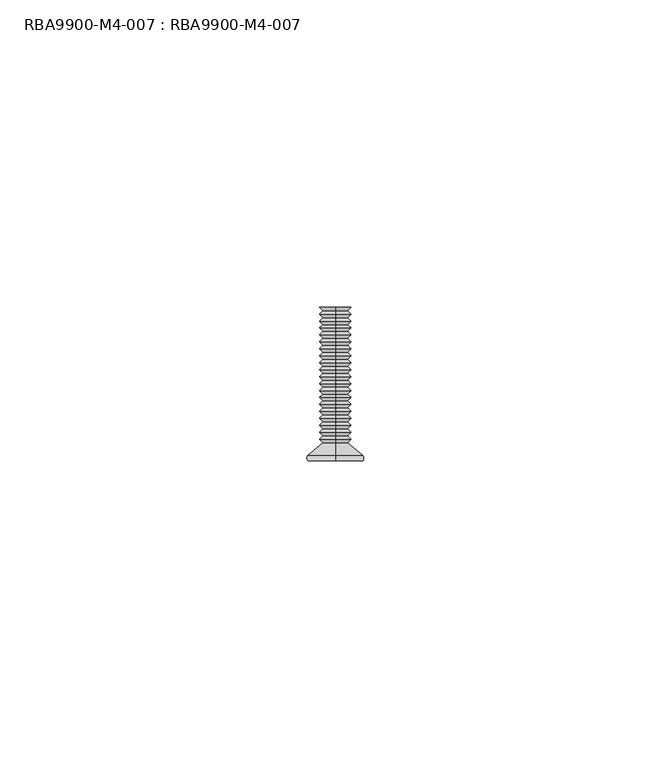
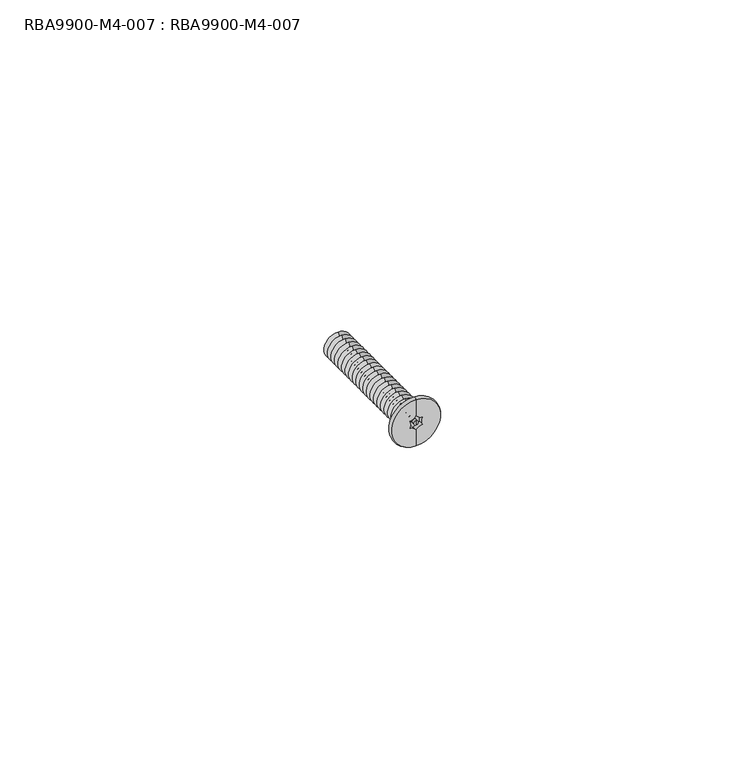
"""IFC4 building model written with IfcOpenShell, lengths in millimetres: proxy geometry, RBA9900-M4-007 : RBA9900-M4-007."""

from ifc_helpers import new_model, si_unit, point, frame, origin, place, context, project, spatial, polyline, circle_curve, ellipse_curve, trimmed, source, transform, mapped, element, save
from ifc_brep_helpers import plane_surface, cylinder_surface, revolved_surface, advanced_brep


def rba9900_m4_007_rba9900_m4_007_bc9887b2(model_context):
    return source(origin(), model_context, "Body", "AdvancedBrep", [
        advanced_brep(
        [(0.0, 0.0, 4.5), (0.0, 0.0, -4.5), (0.0, 0.0, -1.4433757), (-1.25, 0.0, -0.7216878), (-1.25, 0.0, 0.7216878), (0.0, 0.0, 1.4433757), (0.0, 0.0, 0.0), (0.0, 0.0, 0.4), (-0.4, 0.0, 0.0), (0.0, 0.0, -0.4), (0.4, 0.0, 0.0), (1.25, 0.0, 0.7216878), (1.25, 0.0, -0.7216878), (-1.25, 1.0, 0.7216878), (-1.25, 1.0, -0.7216878), (0.0, 1.0, -1.4433757), (1.25, 1.0, -0.7216878), (1.25, 1.0, 0.7216878), (0.0, 1.0, 1.4433757), (-0.4, 1.0, 0.0), (0.4, 1.0, 0.0), (0.0, 11.4343146, -2.5656854), (0.0, 11.4343146, 2.5656854), (0.0, 12.0, 2.0), (0.0, 12.0, -2.0), (0.0, 10.8686292, -2.0), (0.0, 10.8686292, 2.0), (0.0, 10.3029437, -2.5656854), (0.0, 10.3029437, 2.5656854), (0.0, 9.7372583, -2.0), (0.0, 9.7372583, 2.0), (0.0, 9.1715729, -2.5656854), (0.0, 9.1715729, 2.5656854), (0.0, 8.6058875, -2.0), (0.0, 8.6058875, 2.0), (0.0, 8.040202, -2.5656854), (0.0, 8.040202, 2.5656854), (0.0, 7.4745166, -2.0), (0.0, 7.4745166, 2.0), (0.0, 6.9088312, -2.5656854), (0.0, 6.9088312, 2.5656854), (0.0, 6.3431458, -2.0), (0.0, 6.3431458, 2.0), (0.0, 5.7774603, -2.5656854), (0.0, 5.7774603, 2.5656854), (0.0, 5.2117749, -2.0), (0.0, 5.2117749, 2.0), (0.0, 4.6460895, -2.5656854), (0.0, 4.6460895, 2.5656854), (0.0, 4.0804041, -2.0), (0.0, 4.0804041, 2.0), (0.0, 3.5147186, -2.5656854), (0.0, 3.5147186, 2.5656854), (0.0, 2.9490332, -2.0), (0.0, 2.9490332, 2.0), (0.0, 0.9282922, -4.4373582), (0.0, 0.9282922, 4.4373582), (0.0, 25.0, -2.5549207), (0.0, 25.0, 2.5549207), (0.0, 25.0, 0.0), (0.0, 24.4450793, -2.0), (0.0, 24.4450793, 2.0), (0.0, 23.8793939, -2.5656854), (0.0, 23.8793939, 2.5656854), (0.0, 23.3137085, -2.0), (0.0, 23.3137085, 2.0), (0.0, 22.7480231, -2.5656854), (0.0, 22.7480231, 2.5656854), (0.0, 22.1823376, -2.0), (0.0, 22.1823376, 2.0), (0.0, 21.6166522, -2.5656854), (0.0, 21.6166522, 2.5656854), (0.0, 21.0509668, -2.0), (0.0, 21.0509668, 2.0), (0.0, 20.4852814, -2.5656854), (0.0, 20.4852814, 2.5656854), (0.0, 19.9195959, -2.0), (0.0, 19.9195959, 2.0), (0.0, 19.3539105, -2.5656854), (0.0, 19.3539105, 2.5656854), (0.0, 18.7882251, -2.0), (0.0, 18.7882251, 2.0), (0.0, 18.2225397, -2.5656854), (0.0, 18.2225397, 2.5656854), (0.0, 17.6568542, -2.0), (0.0, 17.6568542, 2.0), (0.0, 17.0911688, -2.5656854), (0.0, 17.0911688, 2.5656854), (0.0, 16.5254834, -2.0), (0.0, 16.5254834, 2.0), (0.0, 15.959798, -2.5656854), (0.0, 15.959798, 2.5656854), (0.0, 15.3941125, -2.0), (0.0, 15.3941125, 2.0), (0.0, 14.8284271, -2.5656854), (0.0, 14.8284271, 2.5656854), (0.0, 14.2627417, -2.0), (0.0, 14.2627417, 2.0), (0.0, 13.6970563, -2.5656854), (0.0, 13.6970563, 2.5656854), (0.0, 13.1313708, -2.0), (0.0, 13.1313708, 2.0), (0.0, 12.5656854, -2.5656854), (0.0, 12.5656854, 2.5656854)],
        [
            (0, 1, circle_curve(frame((0.0, 0.0, 0.0), z_axis=(0.0, -1.0, 0.0), x_axis=(0.0, 0.0, 1.0)), 4.5)),
            (1, 2),
            (2, 3, circle_curve(frame((-1.2824889, 0.0, -2.221336), z_axis=(0.0, -1.0, 0.0), x_axis=(1.0, 0.0, 0.0)), 1.5)),
            (3, 4, circle_curve(frame((-2.5649778, 0.0, 0.0), z_axis=(0.0, -1.0, 0.0), x_axis=(1.0, 0.0, 0.0)), 1.5)),
            (4, 5, circle_curve(frame((-1.2824889, 0.0, 2.221336), z_axis=(0.0, -1.0, 0.0), x_axis=(1.0, 0.0, 0.0)), 1.5)),
            (5, 0),
            (6, 7),
            (7, 8, circle_curve(frame((0.0, 0.0, 0.0), z_axis=(0.0, -1.0, 0.0), x_axis=(1.0, 0.0, 0.0)), 0.4)),
            (8, 9, circle_curve(frame((0.0, 0.0, 0.0), z_axis=(0.0, -1.0, 0.0), x_axis=(1.0, 0.0, 0.0)), 0.4)),
            (9, 6),
            (9, 10, circle_curve(frame((0.0, 0.0, 0.0), z_axis=(0.0, -1.0, 0.0), x_axis=(1.0, 0.0, 0.0)), 0.4)),
            (10, 7, circle_curve(frame((0.0, 0.0, 0.0), z_axis=(0.0, -1.0, 0.0), x_axis=(1.0, 0.0, 0.0)), 0.4)),
            (1, 0, circle_curve(frame((0.0, 0.0, 0.0), z_axis=(0.0, -1.0, 0.0), x_axis=(0.0, 0.0, 1.0)), 4.5)),
            (5, 11, circle_curve(frame((1.2824889, 0.0, 2.221336), z_axis=(0.0, -1.0, 0.0), x_axis=(1.0, 0.0, 0.0)), 1.5)),
            (11, 12, circle_curve(frame((2.5649778, 0.0, 0.0), z_axis=(0.0, -1.0, 0.0), x_axis=(1.0, 0.0, 0.0)), 1.5)),
            (12, 2, circle_curve(frame((1.2824889, 0.0, -2.221336), z_axis=(0.0, -1.0, 0.0), x_axis=(1.0, 0.0, 0.0)), 1.5)),
            (13, 14, circle_curve(frame((-2.5649778, 1.0, 0.0), z_axis=(0.0, 1.0, 0.0), x_axis=(1.0, 0.0, 0.0)), 1.5)),
            (14, 15, circle_curve(frame((-1.2824889, 1.0, -2.221336), z_axis=(0.0, 1.0, 0.0), x_axis=(1.0, 0.0, 0.0)), 1.5)),
            (15, 16, circle_curve(frame((1.2824889, 1.0, -2.221336), z_axis=(0.0, 1.0, 0.0), x_axis=(1.0, 0.0, 0.0)), 1.5)),
            (16, 17, circle_curve(frame((2.5649778, 1.0, 0.0), z_axis=(0.0, 1.0, 0.0), x_axis=(1.0, 0.0, 0.0)), 1.5)),
            (17, 18, circle_curve(frame((1.2824889, 1.0, 2.221336), z_axis=(0.0, 1.0, 0.0), x_axis=(1.0, 0.0, 0.0)), 1.5)),
            (18, 13, circle_curve(frame((-1.2824889, 1.0, 2.221336), z_axis=(0.0, 1.0, 0.0), x_axis=(1.0, 0.0, 0.0)), 1.5)),
            (19, 20, circle_curve(frame((0.0, 1.0, 0.0), z_axis=(0.0, 1.0, 0.0), x_axis=(1.0, 0.0, 0.0)), 0.4)),
            (20, 19, circle_curve(frame((0.0, 1.0, 0.0), z_axis=(0.0, 1.0, 0.0), x_axis=(1.0, 0.0, 0.0)), 0.4)),
            (21, 22, circle_curve(frame((0.0, 11.4343146, 0.0), z_axis=(0.0, 1.0, 0.0), x_axis=(0.0, 0.0, 1.0)), 2.5656854)),
            (22, 23),
            (23, 24, circle_curve(frame((0.0, 12.0, 0.0), z_axis=(0.0, -1.0, 0.0), x_axis=(0.0, 0.0, 1.0)), 2.0)),
            (24, 21),
            (22, 21, circle_curve(frame((0.0, 11.4343146, 0.0), z_axis=(0.0, 1.0, 0.0), x_axis=(0.0, 0.0, 1.0)), 2.5656854)),
            (24, 23, circle_curve(frame((0.0, 12.0, 0.0), z_axis=(0.0, -1.0, 0.0), x_axis=(0.0, 0.0, 1.0)), 2.0)),
            (21, 25),
            (25, 26, circle_curve(frame((0.0, 10.8686292, 0.0), z_axis=(0.0, 1.0, 0.0), x_axis=(0.0, 0.0, 1.0)), 2.0)),
            (26, 22),
            (26, 25, circle_curve(frame((0.0, 10.8686292, 0.0), z_axis=(0.0, 1.0, 0.0), x_axis=(0.0, 0.0, 1.0)), 2.0)),
            (25, 27),
            (27, 28, circle_curve(frame((0.0, 10.3029437, 0.0), z_axis=(0.0, 1.0, 0.0), x_axis=(0.0, 0.0, 1.0)), 2.5656854)),
            (28, 26),
            (28, 27, circle_curve(frame((0.0, 10.3029437, 0.0), z_axis=(0.0, 1.0, 0.0), x_axis=(0.0, 0.0, 1.0)), 2.5656854)),
            (27, 29),
            (29, 30, circle_curve(frame((0.0, 9.7372583, 0.0), z_axis=(0.0, 1.0, 0.0), x_axis=(0.0, 0.0, 1.0)), 2.0)),
            (30, 28),
            (30, 29, circle_curve(frame((0.0, 9.7372583, 0.0), z_axis=(0.0, 1.0, 0.0), x_axis=(0.0, 0.0, 1.0)), 2.0)),
            (29, 31),
            (31, 32, circle_curve(frame((0.0, 9.1715729, 0.0), z_axis=(0.0, 1.0, 0.0), x_axis=(0.0, 0.0, 1.0)), 2.5656854)),
            (32, 30),
            (32, 31, circle_curve(frame((0.0, 9.1715729, 0.0), z_axis=(0.0, 1.0, 0.0), x_axis=(0.0, 0.0, 1.0)), 2.5656854)),
            (31, 33),
            (33, 34, circle_curve(frame((0.0, 8.6058875, 0.0), z_axis=(0.0, 1.0, 0.0), x_axis=(0.0, 0.0, 1.0)), 2.0)),
            (34, 32),
            (34, 33, circle_curve(frame((0.0, 8.6058875, 0.0), z_axis=(0.0, 1.0, 0.0), x_axis=(0.0, 0.0, 1.0)), 2.0)),
            (33, 35),
            (35, 36, circle_curve(frame((0.0, 8.040202, 0.0), z_axis=(0.0, 1.0, 0.0), x_axis=(0.0, 0.0, 1.0)), 2.5656854)),
            (36, 34),
            (36, 35, circle_curve(frame((0.0, 8.040202, 0.0), z_axis=(0.0, 1.0, 0.0), x_axis=(0.0, 0.0, 1.0)), 2.5656854)),
            (35, 37),
            (37, 38, circle_curve(frame((0.0, 7.4745166, 0.0), z_axis=(0.0, 1.0, 0.0), x_axis=(0.0, 0.0, 1.0)), 2.0)),
            (38, 36),
            (38, 37, circle_curve(frame((0.0, 7.4745166, 0.0), z_axis=(0.0, 1.0, 0.0), x_axis=(0.0, 0.0, 1.0)), 2.0)),
            (37, 39),
            (39, 40, circle_curve(frame((0.0, 6.9088312, 0.0), z_axis=(0.0, 1.0, 0.0), x_axis=(0.0, 0.0, 1.0)), 2.5656854)),
            (40, 38),
            (40, 39, circle_curve(frame((0.0, 6.9088312, 0.0), z_axis=(0.0, 1.0, 0.0), x_axis=(0.0, 0.0, 1.0)), 2.5656854)),
            (39, 41),
            (41, 42, circle_curve(frame((0.0, 6.3431458, 0.0), z_axis=(0.0, 1.0, 0.0), x_axis=(0.0, 0.0, 1.0)), 2.0)),
            (42, 40),
            (42, 41, circle_curve(frame((0.0, 6.3431458, 0.0), z_axis=(0.0, 1.0, 0.0), x_axis=(0.0, 0.0, 1.0)), 2.0)),
            (41, 43),
            (43, 44, circle_curve(frame((0.0, 5.7774603, 0.0), z_axis=(0.0, 1.0, 0.0), x_axis=(0.0, 0.0, 1.0)), 2.5656854)),
            (44, 42),
            (44, 43, circle_curve(frame((0.0, 5.7774603, 0.0), z_axis=(0.0, 1.0, 0.0), x_axis=(0.0, 0.0, 1.0)), 2.5656854)),
            (43, 45),
            (45, 46, circle_curve(frame((0.0, 5.2117749, 0.0), z_axis=(0.0, 1.0, 0.0), x_axis=(0.0, 0.0, 1.0)), 2.0)),
            (46, 44),
            (46, 45, circle_curve(frame((0.0, 5.2117749, 0.0), z_axis=(0.0, 1.0, 0.0), x_axis=(0.0, 0.0, 1.0)), 2.0)),
            (45, 47),
            (47, 48, circle_curve(frame((0.0, 4.6460895, 0.0), z_axis=(0.0, 1.0, 0.0), x_axis=(0.0, 0.0, 1.0)), 2.5656854)),
            (48, 46),
            (48, 47, circle_curve(frame((0.0, 4.6460895, 0.0), z_axis=(0.0, 1.0, 0.0), x_axis=(0.0, 0.0, 1.0)), 2.5656854)),
            (47, 49),
            (49, 50, circle_curve(frame((0.0, 4.0804041, 0.0), z_axis=(0.0, 1.0, 0.0), x_axis=(0.0, 0.0, 1.0)), 2.0)),
            (50, 48),
            (50, 49, circle_curve(frame((0.0, 4.0804041, 0.0), z_axis=(0.0, 1.0, 0.0), x_axis=(0.0, 0.0, 1.0)), 2.0)),
            (49, 51),
            (51, 52, circle_curve(frame((0.0, 3.5147186, 0.0), z_axis=(0.0, 1.0, 0.0), x_axis=(0.0, 0.0, 1.0)), 2.5656854)),
            (52, 50),
            (52, 51, circle_curve(frame((0.0, 3.5147186, 0.0), z_axis=(0.0, 1.0, 0.0), x_axis=(0.0, 0.0, 1.0)), 2.5656854)),
            (51, 53),
            (53, 54, circle_curve(frame((0.0, 2.9490332, 0.0), z_axis=(0.0, 1.0, 0.0), x_axis=(0.0, 0.0, 1.0)), 2.0)),
            (54, 52),
            (54, 53, circle_curve(frame((0.0, 2.9490332, 0.0), z_axis=(0.0, 1.0, 0.0), x_axis=(0.0, 0.0, 1.0)), 2.0)),
            (53, 55),
            (55, 56, circle_curve(frame((0.0, 0.9282922, 0.0), z_axis=(0.0, 1.0, 0.0), x_axis=(0.0, 0.0, 1.0)), 4.4373582)),
            (56, 54),
            (56, 55, circle_curve(frame((0.0, 0.9282922, 0.0), z_axis=(0.0, 1.0, 0.0), x_axis=(0.0, 0.0, 1.0)), 4.4373582)),
            (0, 56, circle_curve(frame((0.0, 0.4282922, 3.9373582), z_axis=(-1.0, 0.0, 0.0), x_axis=(0.0, 0.0, 1.0)), 0.7071068)),
            (55, 1, circle_curve(frame((0.0, 0.4282922, -3.9373582), z_axis=(-1.0, 0.0, 0.0), x_axis=(0.0, 0.0, -1.0)), 0.7071068)),
            (57, 58, circle_curve(frame((0.0, 25.0, 0.0), z_axis=(0.0, 1.0, 0.0), x_axis=(0.0, 0.0, 1.0)), 2.5549207)),
            (58, 59),
            (59, 57),
            (58, 57, circle_curve(frame((0.0, 25.0, 0.0), z_axis=(0.0, 1.0, 0.0), x_axis=(0.0, 0.0, 1.0)), 2.5549207)),
            (57, 60),
            (60, 61, circle_curve(frame((0.0, 24.4450793, 0.0), z_axis=(0.0, 1.0, 0.0), x_axis=(0.0, 0.0, 1.0)), 2.0)),
            (61, 58),
            (61, 60, circle_curve(frame((0.0, 24.4450793, 0.0), z_axis=(0.0, 1.0, 0.0), x_axis=(0.0, 0.0, 1.0)), 2.0)),
            (60, 62),
            (62, 63, circle_curve(frame((0.0, 23.8793939, 0.0), z_axis=(0.0, 1.0, 0.0), x_axis=(0.0, 0.0, 1.0)), 2.5656854)),
            (63, 61),
            (63, 62, circle_curve(frame((0.0, 23.8793939, 0.0), z_axis=(0.0, 1.0, 0.0), x_axis=(0.0, 0.0, 1.0)), 2.5656854)),
            (62, 64),
            (64, 65, circle_curve(frame((0.0, 23.3137085, 0.0), z_axis=(0.0, 1.0, 0.0), x_axis=(0.0, 0.0, 1.0)), 2.0)),
            (65, 63),
            (65, 64, circle_curve(frame((0.0, 23.3137085, 0.0), z_axis=(0.0, 1.0, 0.0), x_axis=(0.0, 0.0, 1.0)), 2.0)),
            (64, 66),
            (66, 67, circle_curve(frame((0.0, 22.7480231, 0.0), z_axis=(0.0, 1.0, 0.0), x_axis=(0.0, 0.0, 1.0)), 2.5656854)),
            (67, 65),
            (67, 66, circle_curve(frame((0.0, 22.7480231, 0.0), z_axis=(0.0, 1.0, 0.0), x_axis=(0.0, 0.0, 1.0)), 2.5656854)),
            (66, 68),
            (68, 69, circle_curve(frame((0.0, 22.1823376, 0.0), z_axis=(0.0, 1.0, 0.0), x_axis=(0.0, 0.0, 1.0)), 2.0)),
            (69, 67),
            (69, 68, circle_curve(frame((0.0, 22.1823376, 0.0), z_axis=(0.0, 1.0, 0.0), x_axis=(0.0, 0.0, 1.0)), 2.0)),
            (68, 70),
            (70, 71, circle_curve(frame((0.0, 21.6166522, 0.0), z_axis=(0.0, 1.0, 0.0), x_axis=(0.0, 0.0, 1.0)), 2.5656854)),
            (71, 69),
            (71, 70, circle_curve(frame((0.0, 21.6166522, 0.0), z_axis=(0.0, 1.0, 0.0), x_axis=(0.0, 0.0, 1.0)), 2.5656854)),
            (70, 72),
            (72, 73, circle_curve(frame((0.0, 21.0509668, 0.0), z_axis=(0.0, 1.0, 0.0), x_axis=(0.0, 0.0, 1.0)), 2.0)),
            (73, 71),
            (73, 72, circle_curve(frame((0.0, 21.0509668, 0.0), z_axis=(0.0, 1.0, 0.0), x_axis=(0.0, 0.0, 1.0)), 2.0)),
            (72, 74),
            (74, 75, circle_curve(frame((0.0, 20.4852814, 0.0), z_axis=(0.0, 1.0, 0.0), x_axis=(0.0, 0.0, 1.0)), 2.5656854)),
            (75, 73),
            (75, 74, circle_curve(frame((0.0, 20.4852814, 0.0), z_axis=(0.0, 1.0, 0.0), x_axis=(0.0, 0.0, 1.0)), 2.5656854)),
            (74, 76),
            (76, 77, circle_curve(frame((0.0, 19.9195959, 0.0), z_axis=(0.0, 1.0, 0.0), x_axis=(0.0, 0.0, 1.0)), 2.0)),
            (77, 75),
            (77, 76, circle_curve(frame((0.0, 19.9195959, 0.0), z_axis=(0.0, 1.0, 0.0), x_axis=(0.0, 0.0, 1.0)), 2.0)),
            (76, 78),
            (78, 79, circle_curve(frame((0.0, 19.3539105, 0.0), z_axis=(0.0, 1.0, 0.0), x_axis=(0.0, 0.0, 1.0)), 2.5656854)),
            (79, 77),
            (79, 78, circle_curve(frame((0.0, 19.3539105, 0.0), z_axis=(0.0, 1.0, 0.0), x_axis=(0.0, 0.0, 1.0)), 2.5656854)),
            (78, 80),
            (80, 81, circle_curve(frame((0.0, 18.7882251, 0.0), z_axis=(0.0, 1.0, 0.0), x_axis=(0.0, 0.0, 1.0)), 2.0)),
            (81, 79),
            (81, 80, circle_curve(frame((0.0, 18.7882251, 0.0), z_axis=(0.0, 1.0, 0.0), x_axis=(0.0, 0.0, 1.0)), 2.0)),
            (80, 82),
            (82, 83, circle_curve(frame((0.0, 18.2225397, 0.0), z_axis=(0.0, 1.0, 0.0), x_axis=(0.0, 0.0, 1.0)), 2.5656854)),
            (83, 81),
            (83, 82, circle_curve(frame((0.0, 18.2225397, 0.0), z_axis=(0.0, 1.0, 0.0), x_axis=(0.0, 0.0, 1.0)), 2.5656854)),
            (82, 84),
            (84, 85, circle_curve(frame((0.0, 17.6568542, 0.0), z_axis=(0.0, 1.0, 0.0), x_axis=(0.0, 0.0, 1.0)), 2.0)),
            (85, 83),
            (85, 84, circle_curve(frame((0.0, 17.6568542, 0.0), z_axis=(0.0, 1.0, 0.0), x_axis=(0.0, 0.0, 1.0)), 2.0)),
            (84, 86),
            (86, 87, circle_curve(frame((0.0, 17.0911688, 0.0), z_axis=(0.0, 1.0, 0.0), x_axis=(0.0, 0.0, 1.0)), 2.5656854)),
            (87, 85),
            (87, 86, circle_curve(frame((0.0, 17.0911688, 0.0), z_axis=(0.0, 1.0, 0.0), x_axis=(0.0, 0.0, 1.0)), 2.5656854)),
            (86, 88),
            (88, 89, circle_curve(frame((0.0, 16.5254834, 0.0), z_axis=(0.0, 1.0, 0.0), x_axis=(0.0, 0.0, 1.0)), 2.0)),
            (89, 87),
            (89, 88, circle_curve(frame((0.0, 16.5254834, 0.0), z_axis=(0.0, 1.0, 0.0), x_axis=(0.0, 0.0, 1.0)), 2.0)),
            (88, 90),
            (90, 91, circle_curve(frame((0.0, 15.959798, 0.0), z_axis=(0.0, 1.0, 0.0), x_axis=(0.0, 0.0, 1.0)), 2.5656854)),
            (91, 89),
            (91, 90, circle_curve(frame((0.0, 15.959798, 0.0), z_axis=(0.0, 1.0, 0.0), x_axis=(0.0, 0.0, 1.0)), 2.5656854)),
            (90, 92),
            (92, 93, circle_curve(frame((0.0, 15.3941125, 0.0), z_axis=(0.0, 1.0, 0.0), x_axis=(0.0, 0.0, 1.0)), 2.0)),
            (93, 91),
            (93, 92, circle_curve(frame((0.0, 15.3941125, 0.0), z_axis=(0.0, 1.0, 0.0), x_axis=(0.0, 0.0, 1.0)), 2.0)),
            (92, 94),
            (94, 95, circle_curve(frame((0.0, 14.8284271, 0.0), z_axis=(0.0, 1.0, 0.0), x_axis=(0.0, 0.0, 1.0)), 2.5656854)),
            (95, 93),
            (95, 94, circle_curve(frame((0.0, 14.8284271, 0.0), z_axis=(0.0, 1.0, 0.0), x_axis=(0.0, 0.0, 1.0)), 2.5656854)),
            (94, 96),
            (96, 97, circle_curve(frame((0.0, 14.2627417, 0.0), z_axis=(0.0, 1.0, 0.0), x_axis=(0.0, 0.0, 1.0)), 2.0)),
            (97, 95),
            (97, 96, circle_curve(frame((0.0, 14.2627417, 0.0), z_axis=(0.0, 1.0, 0.0), x_axis=(0.0, 0.0, 1.0)), 2.0)),
            (96, 98),
            (98, 99, circle_curve(frame((0.0, 13.6970563, 0.0), z_axis=(0.0, 1.0, 0.0), x_axis=(0.0, 0.0, 1.0)), 2.5656854)),
            (99, 97),
            (99, 98, circle_curve(frame((0.0, 13.6970563, 0.0), z_axis=(0.0, 1.0, 0.0), x_axis=(0.0, 0.0, 1.0)), 2.5656854)),
            (98, 100),
            (100, 101, circle_curve(frame((0.0, 13.1313708, 0.0), z_axis=(0.0, 1.0, 0.0), x_axis=(0.0, 0.0, 1.0)), 2.0)),
            (101, 99),
            (101, 100, circle_curve(frame((0.0, 13.1313708, 0.0), z_axis=(0.0, 1.0, 0.0), x_axis=(0.0, 0.0, 1.0)), 2.0)),
            (100, 102),
            (102, 103, circle_curve(frame((0.0, 12.5656854, 0.0), z_axis=(0.0, 1.0, 0.0), x_axis=(0.0, 0.0, 1.0)), 2.5656854)),
            (103, 101),
            (103, 102, circle_curve(frame((0.0, 12.5656854, 0.0), z_axis=(0.0, 1.0, 0.0), x_axis=(0.0, 0.0, 1.0)), 2.5656854)),
            (23, 103),
            (102, 24),
            (19, 8),
            (10, 20),
            (13, 4),
            (3, 14),
            (2, 15),
            (12, 16),
            (11, 17),
            (5, 18),
        ],
        [
            plane_surface(frame((0.0, 0.0, 0.0), z_axis=(0.0, -1.0, 0.0), x_axis=(0.0, 0.0, 1.0))),
            plane_surface(frame((0.4, 1.0, 0.0), z_axis=(0.0, -1.0, 0.0), x_axis=(0.0, 0.0, 1.0))),
            revolved_surface(polyline([(0.0, 12.0, 2.0), (0.0, 11.4343146, 2.5656854)]), (0.0, 0.0, 0.0), (0.0, -1.0, 0.0)),
            revolved_surface(polyline([(0.0, 11.4343146, 2.5656854), (0.0, 10.8686292, 2.0)]), (0.0, 0.0, 0.0), (0.0, -1.0, 0.0)),
            revolved_surface(polyline([(0.0, 10.8686292, 2.0), (0.0, 10.3029437, 2.5656854)]), (0.0, 0.0, 0.0), (0.0, -1.0, 0.0)),
            revolved_surface(polyline([(0.0, 10.3029437, 2.5656854), (0.0, 9.7372583, 2.0)]), (0.0, 0.0, 0.0), (0.0, -1.0, 0.0)),
            revolved_surface(polyline([(0.0, 9.7372583, 2.0), (0.0, 9.1715729, 2.5656854)]), (0.0, 0.0, 0.0), (0.0, -1.0, 0.0)),
            revolved_surface(polyline([(0.0, 9.1715729, 2.5656854), (0.0, 8.6058875, 2.0)]), (0.0, 0.0, 0.0), (0.0, -1.0, 0.0)),
            revolved_surface(polyline([(0.0, 8.6058875, 2.0), (0.0, 8.040202, 2.5656854)]), (0.0, 0.0, 0.0), (0.0, -1.0, 0.0)),
            revolved_surface(polyline([(0.0, 8.040202, 2.5656854), (0.0, 7.4745166, 2.0)]), (0.0, 0.0, 0.0), (0.0, -1.0, 0.0)),
            revolved_surface(polyline([(0.0, 7.4745166, 2.0), (0.0, 6.9088312, 2.5656854)]), (0.0, 0.0, 0.0), (0.0, -1.0, 0.0)),
            revolved_surface(polyline([(0.0, 6.9088312, 2.5656854), (0.0, 6.3431458, 2.0)]), (0.0, 0.0, 0.0), (0.0, -1.0, 0.0)),
            revolved_surface(polyline([(0.0, 6.3431458, 2.0), (0.0, 5.7774603, 2.5656854)]), (0.0, 0.0, 0.0), (0.0, -1.0, 0.0)),
            revolved_surface(polyline([(0.0, 5.7774603, 2.5656854), (0.0, 5.2117749, 2.0)]), (0.0, 0.0, 0.0), (0.0, -1.0, 0.0)),
            revolved_surface(polyline([(0.0, 5.2117749, 2.0), (0.0, 4.6460895, 2.5656854)]), (0.0, 0.0, 0.0), (0.0, -1.0, 0.0)),
            revolved_surface(polyline([(0.0, 4.6460895, 2.5656854), (0.0, 4.0804041, 2.0)]), (0.0, 0.0, 0.0), (0.0, -1.0, 0.0)),
            revolved_surface(polyline([(0.0, 4.0804041, 2.0), (0.0, 3.5147186, 2.5656854)]), (0.0, 0.0, 0.0), (0.0, -1.0, 0.0)),
            revolved_surface(polyline([(0.0, 3.5147186, 2.5656854), (0.0, 2.9490332, 2.0)]), (0.0, 0.0, 0.0), (0.0, -1.0, 0.0)),
            revolved_surface(polyline([(0.0, 2.9490332, 2.0), (0.0, 0.9282922, 4.4373582)]), (0.0, 0.0, 0.0), (0.0, -1.0, 0.0)),
            revolved_surface(trimmed(ellipse_curve(frame((0.0, 0.4282922, 3.9373582), z_axis=(1.0, 0.0, 0.0), x_axis=(0.0, 0.0, 1.0)), 0.7071068, 0.7071068), [point((0.0, 0.9282922, 4.4373582))], [point((0.0, 0.0, 4.5))], True, "CARTESIAN"), (0.0, 0.0, 0.0), (0.0, -1.0, 0.0)),
            plane_surface(frame((0.0, 25.0, 0.0), z_axis=(0.0, 1.0, 0.0), x_axis=(0.0, 0.0, 1.0))),
            revolved_surface(polyline([(0.0, 25.0, 2.5549207), (0.0, 24.4450793, 2.0)]), (0.0, 0.0, 0.0), (0.0, -1.0, 0.0)),
            revolved_surface(polyline([(0.0, 24.4450793, 2.0), (0.0, 23.8793939, 2.5656854)]), (0.0, 0.0, 0.0), (0.0, -1.0, 0.0)),
            revolved_surface(polyline([(0.0, 23.8793939, 2.5656854), (0.0, 23.3137085, 2.0)]), (0.0, 0.0, 0.0), (0.0, -1.0, 0.0)),
            revolved_surface(polyline([(0.0, 23.3137085, 2.0), (0.0, 22.7480231, 2.5656854)]), (0.0, 0.0, 0.0), (0.0, -1.0, 0.0)),
            revolved_surface(polyline([(0.0, 22.7480231, 2.5656854), (0.0, 22.1823376, 2.0)]), (0.0, 0.0, 0.0), (0.0, -1.0, 0.0)),
            revolved_surface(polyline([(0.0, 22.1823376, 2.0), (0.0, 21.6166522, 2.5656854)]), (0.0, 0.0, 0.0), (0.0, -1.0, 0.0)),
            revolved_surface(polyline([(0.0, 21.6166522, 2.5656854), (0.0, 21.0509668, 2.0)]), (0.0, 0.0, 0.0), (0.0, -1.0, 0.0)),
            revolved_surface(polyline([(0.0, 21.0509668, 2.0), (0.0, 20.4852814, 2.5656854)]), (0.0, 0.0, 0.0), (0.0, -1.0, 0.0)),
            revolved_surface(polyline([(0.0, 20.4852814, 2.5656854), (0.0, 19.9195959, 2.0)]), (0.0, 0.0, 0.0), (0.0, -1.0, 0.0)),
            revolved_surface(polyline([(0.0, 19.9195959, 2.0), (0.0, 19.3539105, 2.5656854)]), (0.0, 0.0, 0.0), (0.0, -1.0, 0.0)),
            revolved_surface(polyline([(0.0, 19.3539105, 2.5656854), (0.0, 18.7882251, 2.0)]), (0.0, 0.0, 0.0), (0.0, -1.0, 0.0)),
            revolved_surface(polyline([(0.0, 18.7882251, 2.0), (0.0, 18.2225397, 2.5656854)]), (0.0, 0.0, 0.0), (0.0, -1.0, 0.0)),
            revolved_surface(polyline([(0.0, 18.2225397, 2.5656854), (0.0, 17.6568542, 2.0)]), (0.0, 0.0, 0.0), (0.0, -1.0, 0.0)),
            revolved_surface(polyline([(0.0, 17.6568542, 2.0), (0.0, 17.0911688, 2.5656854)]), (0.0, 0.0, 0.0), (0.0, -1.0, 0.0)),
            revolved_surface(polyline([(0.0, 17.0911688, 2.5656854), (0.0, 16.5254834, 2.0)]), (0.0, 0.0, 0.0), (0.0, -1.0, 0.0)),
            revolved_surface(polyline([(0.0, 16.5254834, 2.0), (0.0, 15.959798, 2.5656854)]), (0.0, 0.0, 0.0), (0.0, -1.0, 0.0)),
            revolved_surface(polyline([(0.0, 15.959798, 2.5656854), (0.0, 15.3941125, 2.0)]), (0.0, 0.0, 0.0), (0.0, -1.0, 0.0)),
            revolved_surface(polyline([(0.0, 15.3941125, 2.0), (0.0, 14.8284271, 2.5656854)]), (0.0, 0.0, 0.0), (0.0, -1.0, 0.0)),
            revolved_surface(polyline([(0.0, 14.8284271, 2.5656854), (0.0, 14.2627417, 2.0)]), (0.0, 0.0, 0.0), (0.0, -1.0, 0.0)),
            revolved_surface(polyline([(0.0, 14.2627417, 2.0), (0.0, 13.6970563, 2.5656854)]), (0.0, 0.0, 0.0), (0.0, -1.0, 0.0)),
            revolved_surface(polyline([(0.0, 13.6970563, 2.5656854), (0.0, 13.1313708, 2.0)]), (0.0, 0.0, 0.0), (0.0, -1.0, 0.0)),
            revolved_surface(polyline([(0.0, 13.1313708, 2.0), (0.0, 12.5656854, 2.5656854)]), (0.0, 0.0, 0.0), (0.0, -1.0, 0.0)),
            revolved_surface(polyline([(0.0, 12.5656854, 2.5656854), (0.0, 12.0, 2.0)]), (0.0, 0.0, 0.0), (0.0, -1.0, 0.0)),
            cylinder_surface(frame((0.0, 1.0, 0.0), z_axis=(0.0, 1.0, 0.0), x_axis=(1.0, 0.0, 0.0)), 0.4),
            cylinder_surface(frame((-2.5649778, 0.0, 0.0), z_axis=(0.0, 1.0, 0.0), x_axis=(1.0, 0.0, 0.0)), 1.5),
            cylinder_surface(frame((-1.2824889, 0.0, -2.221336), z_axis=(0.0, 1.0, 0.0), x_axis=(1.0, 0.0, 0.0)), 1.5),
            cylinder_surface(frame((1.2824889, 0.0, -2.221336), z_axis=(0.0, 1.0, 0.0), x_axis=(1.0, 0.0, 0.0)), 1.5),
            cylinder_surface(frame((2.5649778, 0.0, 0.0), z_axis=(0.0, 1.0, 0.0), x_axis=(1.0, 0.0, 0.0)), 1.5),
            cylinder_surface(frame((1.2824889, 0.0, 2.221336), z_axis=(0.0, 1.0, 0.0), x_axis=(1.0, 0.0, 0.0)), 1.5),
            cylinder_surface(frame((-1.2824889, 0.0, 2.221336), z_axis=(0.0, 1.0, 0.0), x_axis=(1.0, 0.0, 0.0)), 1.5),
        ],
        [
            (0, [[1, 2, 3, 4, 5, 6]]),
            (0, [[7, 8, 9, 10]]),
            (0, [[-7, -10, 11, 12]]),
            (0, [[13, -6, 14, 15, 16, -2]]),
            (1, [[17, 18, 19, 20, 21, 22], [23, 24]]),
            (2, [[25, 26, 27, 28]]),
            (2, [[-26, 29, -28, 30]]),
            (3, [[-25, 31, 32, 33]]),
            (3, [[-29, -33, 34, -31]]),
            (4, [[-32, 35, 36, 37]]),
            (4, [[-34, -37, 38, -35]]),
            (5, [[-36, 39, 40, 41]]),
            (5, [[-38, -41, 42, -39]]),
            (6, [[-40, 43, 44, 45]]),
            (6, [[-42, -45, 46, -43]]),
            (7, [[-44, 47, 48, 49]]),
            (7, [[-46, -49, 50, -47]]),
            (8, [[-48, 51, 52, 53]]),
            (8, [[-50, -53, 54, -51]]),
            (9, [[-52, 55, 56, 57]]),
            (9, [[-54, -57, 58, -55]]),
            (10, [[-56, 59, 60, 61]]),
            (10, [[-58, -61, 62, -59]]),
            (11, [[-60, 63, 64, 65]]),
            (11, [[-62, -65, 66, -63]]),
            (12, [[-64, 67, 68, 69]]),
            (12, [[-66, -69, 70, -67]]),
            (13, [[-68, 71, 72, 73]]),
            (13, [[-70, -73, 74, -71]]),
            (14, [[-72, 75, 76, 77]]),
            (14, [[-74, -77, 78, -75]]),
            (15, [[-76, 79, 80, 81]]),
            (15, [[-78, -81, 82, -79]]),
            (16, [[-80, 83, 84, 85]]),
            (16, [[-82, -85, 86, -83]]),
            (17, [[-84, 87, 88, 89]]),
            (17, [[-86, -89, 90, -87]]),
            (18, [[-88, 91, 92, 93]]),
            (18, [[-90, -93, 94, -91]]),
            (19, [[-1, 95, -92, 96]]),
            (19, [[-13, -96, -94, -95]]),
            (20, [[97, 98, 99]]),
            (20, [[-98, 100, -99]]),
            (21, [[-97, 101, 102, 103]]),
            (21, [[-100, -103, 104, -101]]),
            (22, [[-102, 105, 106, 107]]),
            (22, [[-104, -107, 108, -105]]),
            (23, [[-106, 109, 110, 111]]),
            (23, [[-108, -111, 112, -109]]),
            (24, [[-110, 113, 114, 115]]),
            (24, [[-112, -115, 116, -113]]),
            (25, [[-114, 117, 118, 119]]),
            (25, [[-116, -119, 120, -117]]),
            (26, [[-118, 121, 122, 123]]),
            (26, [[-120, -123, 124, -121]]),
            (27, [[-122, 125, 126, 127]]),
            (27, [[-124, -127, 128, -125]]),
            (28, [[-126, 129, 130, 131]]),
            (28, [[-128, -131, 132, -129]]),
            (29, [[-130, 133, 134, 135]]),
            (29, [[-132, -135, 136, -133]]),
            (30, [[-134, 137, 138, 139]]),
            (30, [[-136, -139, 140, -137]]),
            (31, [[-138, 141, 142, 143]]),
            (31, [[-140, -143, 144, -141]]),
            (32, [[-142, 145, 146, 147]]),
            (32, [[-144, -147, 148, -145]]),
            (33, [[-146, 149, 150, 151]]),
            (33, [[-148, -151, 152, -149]]),
            (34, [[-150, 153, 154, 155]]),
            (34, [[-152, -155, 156, -153]]),
            (35, [[-154, 157, 158, 159]]),
            (35, [[-156, -159, 160, -157]]),
            (36, [[-158, 161, 162, 163]]),
            (36, [[-160, -163, 164, -161]]),
            (37, [[-162, 165, 166, 167]]),
            (37, [[-164, -167, 168, -165]]),
            (38, [[-166, 169, 170, 171]]),
            (38, [[-168, -171, 172, -169]]),
            (39, [[-170, 173, 174, 175]]),
            (39, [[-172, -175, 176, -173]]),
            (40, [[-174, 177, 178, 179]]),
            (40, [[-176, -179, 180, -177]]),
            (41, [[-178, 181, 182, 183]]),
            (41, [[-180, -183, 184, -181]]),
            (42, [[-182, 185, 186, 187]]),
            (42, [[-184, -187, 188, -185]]),
            (43, [[-27, 189, -186, 190]]),
            (43, [[-30, -190, -188, -189]]),
            (44, [[-23, 191, -8, -12, 192]]),
            (44, [[-24, -192, -11, -9, -191]]),
            (45, [[-17, 193, -4, 194]]),
            (46, [[-18, -194, -3, 195]]),
            (47, [[-19, -195, -16, 196]]),
            (48, [[-20, -196, -15, 197]]),
            (49, [[-21, -197, -14, 198]]),
            (50, [[-22, -198, -5, -193]]),
        ],
    ),
    ])


if __name__ == "__main__":
    model = new_model("IFC4")
    model_context = context("Model", 3, world=origin())
    ifc_project = project(units=[si_unit("LENGTHUNIT", "METRE", prefix="MILLI")], contexts=[model_context])
    site = spatial("IfcSite", under=ifc_project)
    building = spatial("IfcBuilding", under=site)
    placement = place(None, origin())
    rba9900_m4_007_rba9900_m4_007_shape = rba9900_m4_007_rba9900_m4_007_bc9887b2(model_context)
    element("IfcBuildingElementProxy", 1, Name="RBA9900-M4-007 : RBA9900-M4-007", ObjectType="RBA9900-M4-007 : RBA9900-M4-007", at=placement, inside=building, context=model_context, shape_type="MappedRepresentation", body=[
        mapped(rba9900_m4_007_rba9900_m4_007_shape, transform((0.0, 0.0, 0.0), x_axis=(1.0, 0.0, 0.0), y_axis=(0.0, 1.0, 0.0), z_axis=(0.0, 0.0, 1.0))),
    ])
    save(model, "model.ifc")
